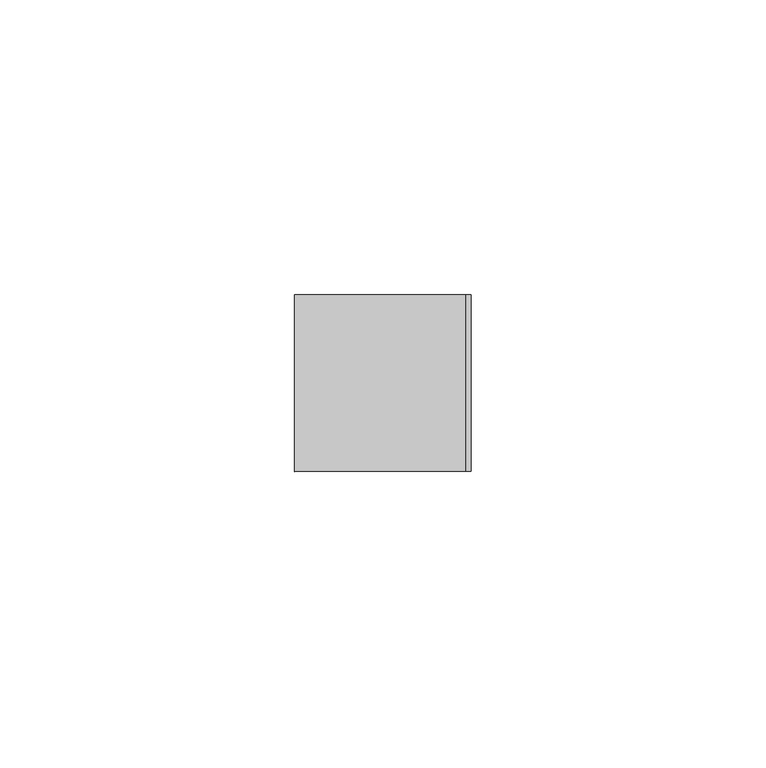
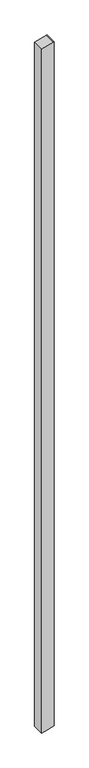
"""IFC4 building model written with IfcOpenShell, lengths in millimetres: member geometry."""

from ifc_helpers import new_model, si_unit, frame, origin, place, context, project, spatial, polyline, outline, extrude, source, transform, mapped, element, save


def member_f11aa9dd(model_context):
    return source(origin(), model_context, "Body", "SweptSolid", [
        extrude(outline(polyline([(-47.7068097, 15.0), (-47.9795878, 14.0697958), (-56.5041731, -15.0), (-1822.1950366, -15.0), (-1819.9095576, -6.4704761), (-1814.1565609, 15.0), (-47.7068097, 15.0)])), frame((0.0, -15.0, 0.0), z_axis=(0.0, 1.0, 0.0), x_axis=(0.0, 0.0, 1.0)), (0.0, 0.0, 1.0), 30.0),
    ])


if __name__ == "__main__":
    model = new_model("IFC4")
    model_context = context("Model", 3, world=origin())
    ifc_project = project(units=[si_unit("LENGTHUNIT", "METRE", prefix="MILLI")], contexts=[model_context])
    site = spatial("IfcSite", under=ifc_project)
    building = spatial("IfcBuilding", under=site)
    placement = place(None, origin())
    member_shape = member_f11aa9dd(model_context)
    element("IfcMember", 1, at=placement, inside=building, context=model_context, shape_type="MappedRepresentation", body=[
        mapped(member_shape, transform((0.0, 0.0, 0.0), x_axis=(1.0, 0.0, 0.0), y_axis=(0.0, 1.0, 0.0), z_axis=(0.0, 0.0, 1.0))),
    ])
    save(model, "model.ifc")
